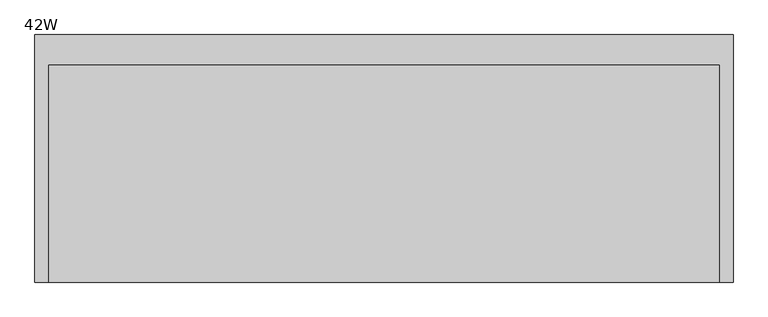
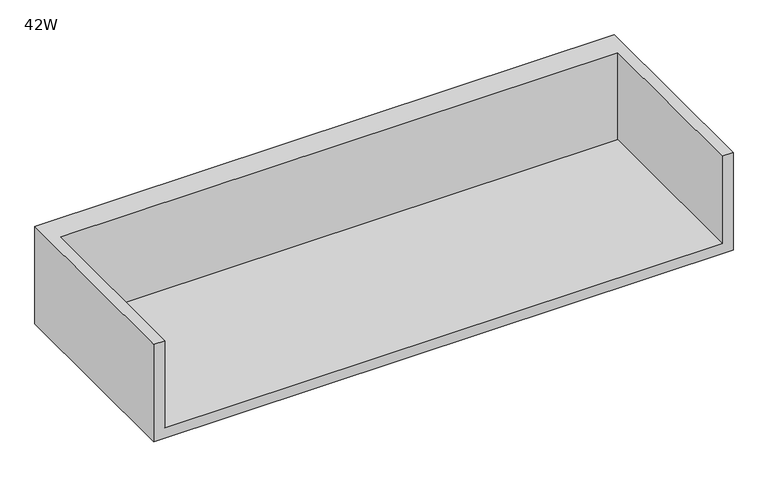
"""IFC4 building model written with IfcOpenShell, lengths in millimetres: furniture geometry, 42W."""

from ifc_helpers import new_model, si_unit, origin, place, context, project, spatial, faceted_brep, source, transform, mapped, element, save


def furniture_42w_0ddfa905(model_context):
    return source(origin(), model_context, "Body", "Brep", [
        faceted_brep([(20.1673737, -320.802, 1115.6696643), (1045.6166263, -320.802, 1115.6696643), (1045.6166263, 11.5824326, 1115.6696643), (20.1673737, 11.5824326, 1115.6696643), (0.0, -320.802, 1095.502), (0.0, 57.15, 1095.502), (1065.784, 57.15, 1095.502), (1065.784, -320.802, 1095.502), (1065.784, 57.15, 1284.9860736), (0.0, 57.15, 1284.9860736), (20.1673737, -320.802, 1284.9860736), (0.0, -320.802, 1284.9860736), (1065.784, -320.802, 1284.9860736), (1045.6166263, -320.802, 1284.9860736), (20.1673737, 11.5824326, 1284.9860736), (1045.6166263, 11.5824326, 1284.9860736)], [[[0, 1, 2, 3]], [[4, 5, 6, 7]], [[8, 6, 5, 9]], [[1, 0, 10, 11, 4, 7, 12, 13]], [[8, 9, 11, 10, 14, 15, 13, 12]], [[11, 9, 5, 4]], [[10, 0, 3, 14]], [[8, 12, 7, 6]], [[1, 13, 15, 2]], [[15, 14, 3, 2]]]),
    ])


if __name__ == "__main__":
    model = new_model("IFC4")
    model_context = context("Model", 3, world=origin())
    ifc_project = project(units=[si_unit("LENGTHUNIT", "METRE", prefix="MILLI")], contexts=[model_context])
    site = spatial("IfcSite", under=ifc_project)
    building = spatial("IfcBuilding", under=site)
    placement = place(None, origin())
    furniture_42w_shape = furniture_42w_0ddfa905(model_context)
    element("IfcFurniture", 1, ObjectType="42W", at=placement, inside=building, context=model_context, shape_type="MappedRepresentation", body=[
        mapped(furniture_42w_shape, transform((0.0, 0.0, 0.0), x_axis=(1.0, 0.0, 0.0), y_axis=(0.0, 1.0, 0.0), z_axis=(0.0, 0.0, 1.0))),
    ])
    save(model, "model.ifc")
